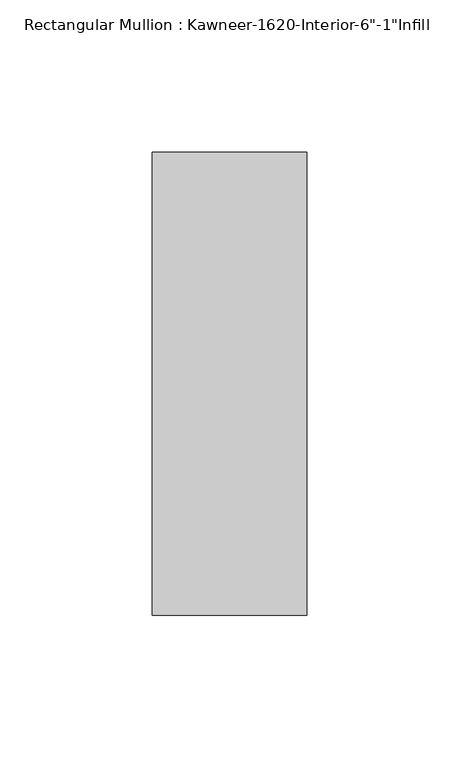
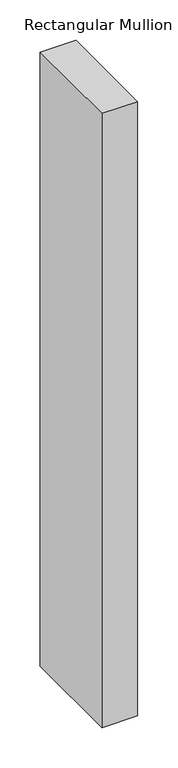
"""IFC4 building model written with IfcOpenShell, lengths in millimetres: member geometry."""

from ifc_helpers import new_model, si_unit, frame, origin, place, context, project, spatial, polyline, outline, extrude, source, transform, mapped, element, save


def member_fa1d1932(model_context):
    return source(origin(), model_context, "Body", "SweptSolid", [
        extrude(outline(polyline([(25.4, 114.3), (25.4, -38.1), (-25.4, -38.1), (-25.4, 114.3), (25.4, 114.3)])), frame((0.0, 0.0, -927.1), z_axis=(0.0, 0.0, 1.0), x_axis=(1.0, 0.0, 0.0)), (0.0, 0.0, 1.0), 927.1),
    ])


if __name__ == "__main__":
    model = new_model("IFC4")
    model_context = context("Model", 3, world=origin())
    ifc_project = project(units=[si_unit("LENGTHUNIT", "METRE", prefix="MILLI")], contexts=[model_context])
    site = spatial("IfcSite", under=ifc_project)
    building = spatial("IfcBuilding", under=site)
    placement = place(None, origin())
    member_shape = member_fa1d1932(model_context)
    element("IfcMember", 1, ObjectType="Rectangular Mullion : Kawneer-1620-Interior-6\"-1\"Infill", at=placement, inside=building, context=model_context, shape_type="MappedRepresentation", body=[
        mapped(member_shape, transform((0.0, 0.0, 0.0), x_axis=(1.0, 0.0, 0.0), y_axis=(0.0, 1.0, 0.0), z_axis=(0.0, 0.0, 1.0))),
    ])
    save(model, "model.ifc")
